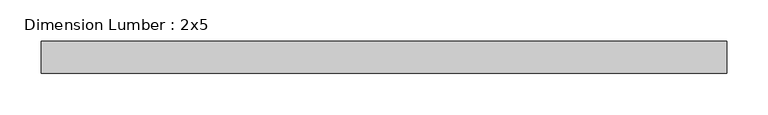
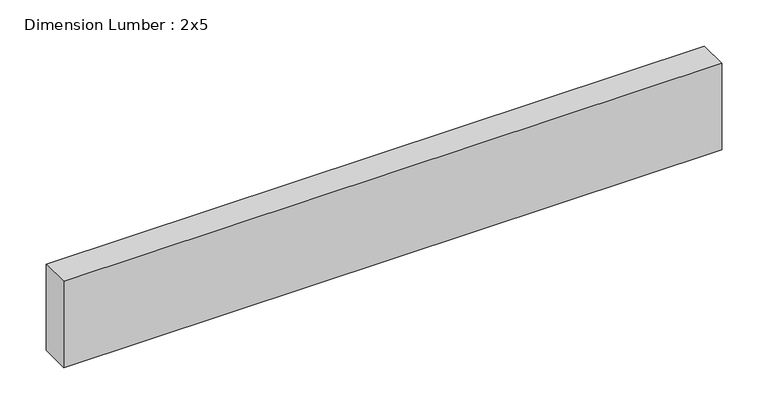
"""IFC4 building model written with IfcOpenShell, lengths in millimetres: beam geometry, Dimension Lumber : 2x5."""

from ifc_helpers import new_model, si_unit, frame, origin, place, context, project, spatial, polyline, outline, extrude, source, transform, mapped, element, save


def dimension_lumber_2x5_a9067b1a(model_context):
    return source(origin(), model_context, "Body", "SweptSolid", [
        extrude(outline(polyline([(412.8617027, 19.05), (412.8617027, -19.05), (-412.8617027, -19.05), (-412.8617027, 19.05), (412.8617027, 19.05)])), frame((0.0, 0.0, -57.15), z_axis=(0.0, 0.0, 1.0), x_axis=(1.0, 0.0, 0.0)), (0.0, 0.0, 1.0), 114.3),
    ])


if __name__ == "__main__":
    model = new_model("IFC4")
    model_context = context("Model", 3, world=origin())
    ifc_project = project(units=[si_unit("LENGTHUNIT", "METRE", prefix="MILLI")], contexts=[model_context])
    site = spatial("IfcSite", under=ifc_project)
    building = spatial("IfcBuilding", under=site)
    placement = place(None, origin())
    dimension_lumber_2x5_shape = dimension_lumber_2x5_a9067b1a(model_context)
    element("IfcBeam", 1, ObjectType="Dimension Lumber : 2x5", at=placement, inside=building, context=model_context, shape_type="MappedRepresentation", body=[
        mapped(dimension_lumber_2x5_shape, transform((0.0, 0.0, 0.0), x_axis=(1.0, 0.0, 0.0), y_axis=(0.0, 1.0, 0.0), z_axis=(0.0, 0.0, 1.0))),
    ])
    save(model, "model.ifc")
